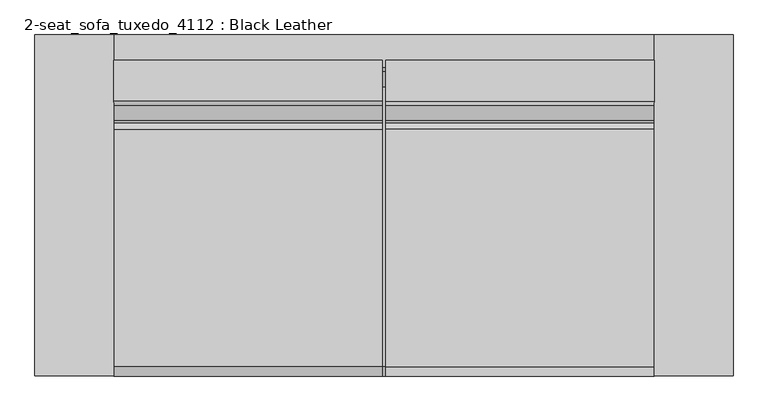
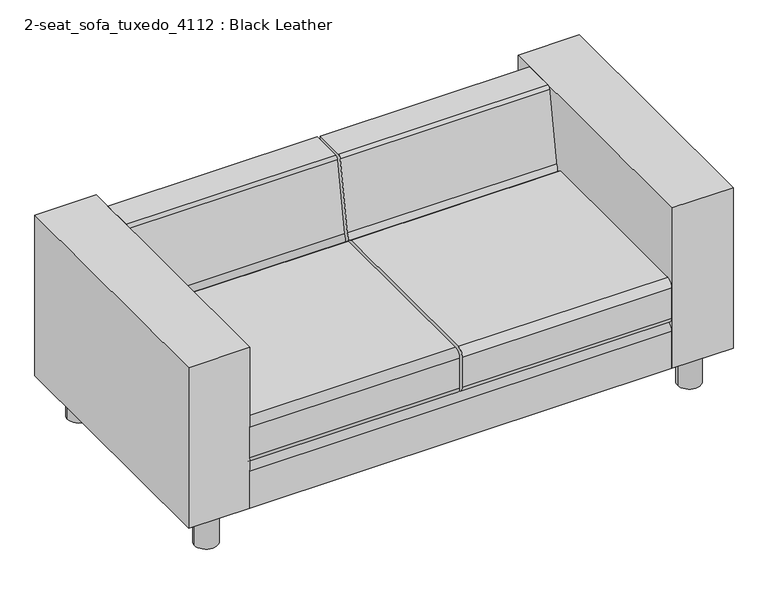
"""IFC4 building model written with IfcOpenShell, lengths in millimetres: furniture geometry, 2-seat_sofa_tuxedo_4112 : Black Leather."""

from ifc_helpers import new_model, si_unit, point, frame, frame_2d, origin, origin_with_axes, place, context, project, spatial, polyline, circle_curve, trimmed, segment, composite_curve, outline, extrude, source, transform, mapped, element, save


def furniture_2_seat_sofa_tuxedo_4112_black_leather_c3e695d3(model_context):
    return source(origin(), model_context, "Body", "SweptSolid", [
        extrude(outline(composite_curve([segment(trimmed(circle_curve(frame_2d((217.3680171, 399.5867899)), 36.5932287), [point((232.800714, 432.7665467))], [point((250.5477739, 415.0194868))], False, "CARTESIAN"), True, "CONTINUOUS"), segment(trimmed(circle_curve(frame_2d((287.6145833, 423.8930167)), 38.114143), [point((250.5477739, 415.0194868))], [point((255.5120066, 444.4383926))], False, "CARTESIAN"), True, "CONTINUOUS"), segment(polyline([(255.5120066, 444.4383926), (295.281428, 680.118892)]), True, "CONTINUOUS"), segment(trimmed(circle_curve(frame_2d((305.757142, 678.3511892)), 10.6238108), [point((295.281428, 680.118892))], [point((305.757142, 688.975))], False, "CARTESIAN"), True, "CONTINUOUS"), segment(polyline([(305.757142, 688.975), (410.5270947, 688.975), (341.5773012, 280.3665467), (-379.7320206, 280.3665467)]), True, "CONTINUOUS"), segment(trimmed(circle_curve(frame_2d((-379.7320206, 303.7554278)), 23.3888811), [point((-379.7320206, 280.3665467))], [point((-403.1209016, 303.7554278))], False, "CARTESIAN"), True, "CONTINUOUS"), segment(polyline([(-403.1209016, 303.7554278), (-403.1209016, 409.3776656)]), True, "CONTINUOUS"), segment(trimmed(circle_curve(frame_2d((-379.7320206, 409.3776656)), 23.3888811), [point((-403.1209016, 409.3776656))], [point((-379.7320206, 432.7665467))], False, "CARTESIAN"), True, "CONTINUOUS"), segment(polyline([(-379.7320206, 432.7665467), (232.800714, 432.7665467)]), True, "CONTINUOUS")], self_intersect=False)), frame((75.1442078, 0.0, 0.0), z_axis=(1.0, 0.0, 0.0), x_axis=(0.0, 1.0, 0.0)), (0.0, 0.0, 1.0), 692.138784),
        extrude(outline(composite_curve([segment(trimmed(circle_curve(frame_2d((217.3680171, 399.5867899)), 36.5932287), [point((232.800714, 432.7665467))], [point((250.5477739, 415.0194868))], False, "CARTESIAN"), True, "CONTINUOUS"), segment(trimmed(circle_curve(frame_2d((287.6145833, 423.8930167)), 38.114143), [point((250.5477739, 415.0194868))], [point((255.5120066, 444.4383926))], False, "CARTESIAN"), True, "CONTINUOUS"), segment(polyline([(255.5120066, 444.4383926), (295.281428, 680.118892)]), True, "CONTINUOUS"), segment(trimmed(circle_curve(frame_2d((305.757142, 678.3511892)), 10.6238108), [point((295.281428, 680.118892))], [point((305.757142, 688.975))], False, "CARTESIAN"), True, "CONTINUOUS"), segment(polyline([(305.757142, 688.975), (410.5270947, 688.975), (341.5773012, 280.3665467), (-379.7320206, 280.3665467)]), True, "CONTINUOUS"), segment(trimmed(circle_curve(frame_2d((-379.7320206, 303.7554278)), 23.3888811), [point((-379.7320206, 280.3665467))], [point((-403.1209016, 303.7554278))], False, "CARTESIAN"), True, "CONTINUOUS"), segment(polyline([(-403.1209016, 303.7554278), (-403.1209016, 409.3776656)]), True, "CONTINUOUS"), segment(trimmed(circle_curve(frame_2d((-379.7320206, 409.3776656)), 23.3888811), [point((-403.1209016, 409.3776656))], [point((-379.7320206, 432.7665467))], False, "CARTESIAN"), True, "CONTINUOUS"), segment(polyline([(-379.7320206, 432.7665467), (232.800714, 432.7665467)]), True, "CONTINUOUS")], self_intersect=False)), frame((-626.5420082, 0.0, 0.0), z_axis=(1.0, 0.0, 0.0), x_axis=(0.0, 1.0, 0.0)), (0.0, 0.0, 1.0), 692.138784),
        extrude(outline(composite_curve([segment(polyline([(341.5773012, 280.3665467), (380.8005679, 512.8104387)]), True, "CONTINUOUS"), segment(trimmed(circle_curve(frame_2d((391.2762818, 511.0427359)), 10.6238108), [point((380.8005679, 512.8104387))], [point((391.2762818, 521.6665467))], False, "CARTESIAN"), True, "CONTINUOUS"), segment(polyline([(391.2762818, 521.6665467), (476.3540984, 521.6665467), (476.3540984, 127.9665467), (-403.1209016, 127.9665467), (-403.1209016, 256.9776656)]), True, "CONTINUOUS"), segment(trimmed(circle_curve(frame_2d((-379.7320206, 256.9776656)), 23.3888811), [point((-403.1209016, 256.9776656))], [point((-379.7320206, 280.3665467))], False, "CARTESIAN"), True, "CONTINUOUS"), segment(polyline([(-379.7320206, 280.3665467), (341.5773012, 280.3665467)]), True, "CONTINUOUS")], self_intersect=False)), frame((-626.5420082, 0.0, 0.0), z_axis=(1.0, 0.0, 0.0), x_axis=(0.0, 1.0, 0.0)), (0.0, 0.0, 1.0), 1393.825),
        extrude(outline(polyline([(-829.7420082, 476.3540984), (-626.5420082, 476.3540984), (-626.5420082, -403.1209016), (-829.7420082, -403.1209016), (-829.7420082, 476.3540984)])), frame((0.0, 0.0, 127.9665467), z_axis=(0.0, 0.0, 1.0), x_axis=(1.0, 0.0, 0.0)), (0.0, 0.0, 1.0), 561.0084533),
        extrude(outline(polyline([(970.4829918, 476.3540984), (970.4829918, -403.1209016), (767.2829918, -403.1209016), (767.2829918, 476.3540984), (970.4829918, 476.3540984)])), frame((0.0, 0.0, 127.9665467), z_axis=(0.0, 0.0, 1.0), x_axis=(1.0, 0.0, 0.0)), (0.0, 0.0, 1.0), 561.0084533),
        extrude(outline(composite_curve([segment(trimmed(circle_curve(frame_2d((-728.1420082, -326.9209016)), 38.1), [point((-766.2420082, -326.9209016))], [point((-690.0420082, -326.9209016))], False, "CARTESIAN"), True, "CONTINUOUS"), segment(trimmed(circle_curve(frame_2d((-728.1420082, -326.9209016)), 38.1), [point((-690.0420082, -326.9209016))], [point((-766.2420082, -326.9209016))], False, "CARTESIAN"), True, "CONTINUOUS")], self_intersect=False)), origin_with_axes(), (0.0, 0.0, 1.0), 127.0),
        extrude(outline(composite_curve([segment(trimmed(circle_curve(frame_2d((868.8829918, -326.9209016)), 38.1), [point((830.7829918, -326.9209016))], [point((906.9829918, -326.9209016))], False, "CARTESIAN"), True, "CONTINUOUS"), segment(trimmed(circle_curve(frame_2d((868.8829918, -326.9209016)), 38.1), [point((906.9829918, -326.9209016))], [point((830.7829918, -326.9209016))], False, "CARTESIAN"), True, "CONTINUOUS")], self_intersect=False)), origin_with_axes(), (0.0, 0.0, 1.0), 127.0),
        extrude(outline(composite_curve([segment(trimmed(circle_curve(frame_2d((868.8829918, 400.1540984)), 38.1), [point((830.7829918, 400.1540984))], [point((906.9829918, 400.1540984))], False, "CARTESIAN"), True, "CONTINUOUS"), segment(trimmed(circle_curve(frame_2d((868.8829918, 400.1540984)), 38.1), [point((906.9829918, 400.1540984))], [point((830.7829918, 400.1540984))], False, "CARTESIAN"), True, "CONTINUOUS")], self_intersect=False)), origin_with_axes(), (0.0, 0.0, 1.0), 127.0),
        extrude(outline(composite_curve([segment(trimmed(circle_curve(frame_2d((-728.1420082, 400.1540984)), 38.1), [point((-766.2420082, 400.1540984))], [point((-690.0420082, 400.1540984))], False, "CARTESIAN"), True, "CONTINUOUS"), segment(trimmed(circle_curve(frame_2d((-728.1420082, 400.1540984)), 38.1), [point((-690.0420082, 400.1540984))], [point((-766.2420082, 400.1540984))], False, "CARTESIAN"), True, "CONTINUOUS")], self_intersect=False)), origin_with_axes(), (0.0, 0.0, 1.0), 127.0),
    ])


if __name__ == "__main__":
    model = new_model("IFC4")
    model_context = context("Model", 3, world=origin())
    ifc_project = project(units=[si_unit("LENGTHUNIT", "METRE", prefix="MILLI")], contexts=[model_context])
    site = spatial("IfcSite", under=ifc_project)
    building = spatial("IfcBuilding", under=site)
    placement = place(None, origin())
    furniture_2_seat_sofa_tuxedo_4112_black_leather_shape = furniture_2_seat_sofa_tuxedo_4112_black_leather_c3e695d3(model_context)
    element("IfcFurniture", 1, ObjectType="2-seat_sofa_tuxedo_4112 : Black Leather", at=placement, inside=building, context=model_context, shape_type="MappedRepresentation", body=[
        mapped(furniture_2_seat_sofa_tuxedo_4112_black_leather_shape, transform((0.0, 0.0, 0.0), x_axis=(1.0, 0.0, 0.0), y_axis=(0.0, 1.0, 0.0), z_axis=(0.0, 0.0, 1.0))),
    ])
    save(model, "model.ifc")
